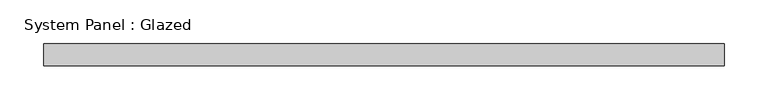
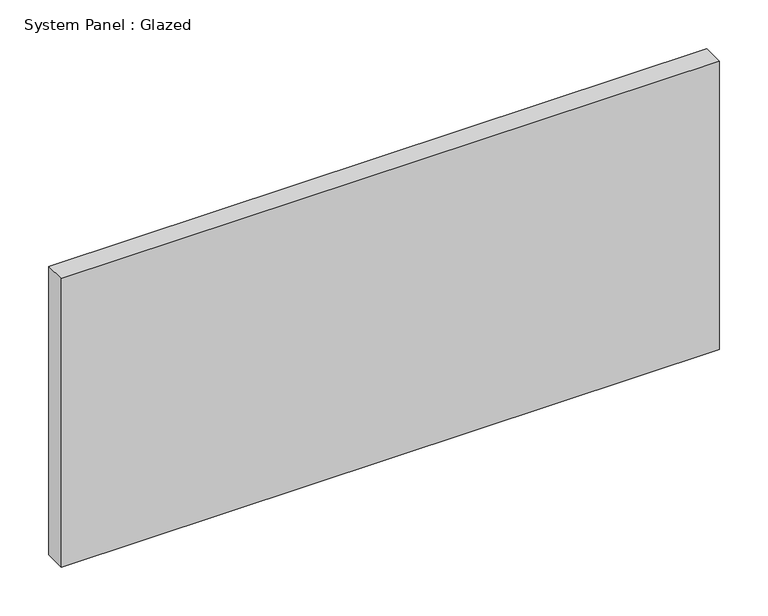
"""IFC4 building model written with IfcOpenShell, lengths in millimetres: plate geometry, System Panel : Glazed."""

from ifc_helpers import new_model, si_unit, origin, origin_with_axes, place, context, project, spatial, polyline, outline, extrude, source, transform, mapped, element, save


def system_panel_glazed_b696f587(model_context):
    return source(origin(), model_context, "Body", "SweptSolid", [
        extrude(outline(polyline([(389.6684567, -12.7), (-389.6684567, -12.7), (-389.6684567, 12.7), (389.6684567, 12.7), (389.6684567, -12.7)])), origin_with_axes(), (0.0, 0.0, 1.0), 361.45),
    ])


if __name__ == "__main__":
    model = new_model("IFC4")
    model_context = context("Model", 3, world=origin())
    ifc_project = project(units=[si_unit("LENGTHUNIT", "METRE", prefix="MILLI")], contexts=[model_context])
    site = spatial("IfcSite", under=ifc_project)
    building = spatial("IfcBuilding", under=site)
    placement = place(None, origin())
    system_panel_glazed_shape = system_panel_glazed_b696f587(model_context)
    element("IfcPlate", 1, ObjectType="System Panel : Glazed", at=placement, inside=building, context=model_context, shape_type="MappedRepresentation", body=[
        mapped(system_panel_glazed_shape, transform((0.0, 0.0, 0.0), x_axis=(1.0, 0.0, 0.0), y_axis=(0.0, 1.0, 0.0), z_axis=(0.0, 0.0, 1.0))),
    ])
    save(model, "model.ifc")
